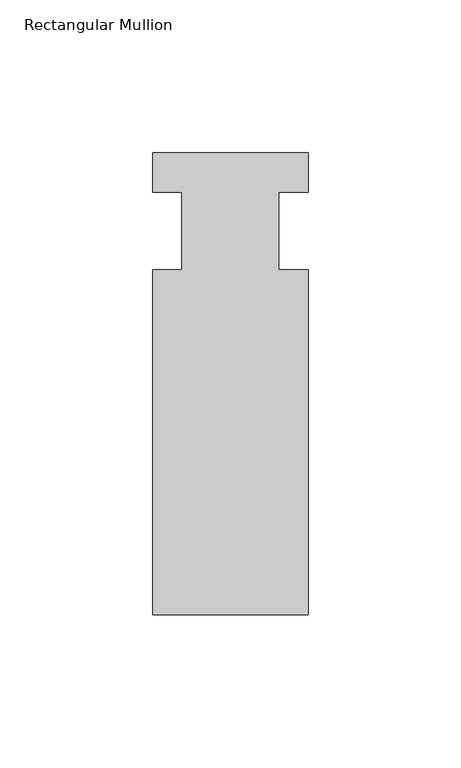
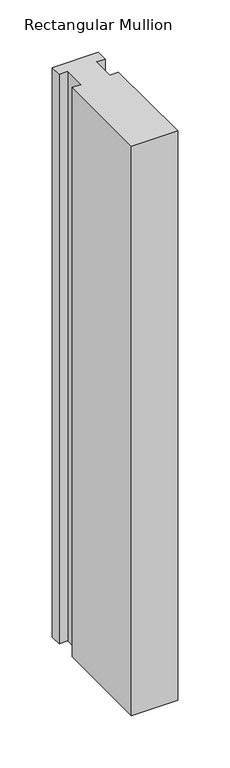
"""IFC4 building model written with IfcOpenShell, lengths in millimetres: member geometry, Rectangular Mullion."""

from ifc_helpers import new_model, si_unit, frame, origin, place, context, project, spatial, polyline, outline, extrude, source, transform, mapped, element, save


def rectangular_mullion_d1b1a90d(model_context):
    return source(origin(), model_context, "Body", "SweptSolid", [
        extrude(outline(polyline([(-25.4, 25.5984375), (25.4, 25.5984375), (25.4, 12.7), (15.875, 12.7), (15.875, -12.7), (25.4, -12.7), (25.4, -125.6109375), (-25.4, -125.6109375), (-25.4, -12.7), (-15.875, -12.7), (-15.875, 12.7), (-25.4, 12.7), (-25.4, 25.5984375)])), frame((0.0, 0.0, -664.216413), z_axis=(0.0, 0.0, 1.0), x_axis=(1.0, 0.0, 0.0)), (0.0, 0.0, 1.0), 664.216413),
    ])


if __name__ == "__main__":
    model = new_model("IFC4")
    model_context = context("Model", 3, world=origin())
    ifc_project = project(units=[si_unit("LENGTHUNIT", "METRE", prefix="MILLI")], contexts=[model_context])
    site = spatial("IfcSite", under=ifc_project)
    building = spatial("IfcBuilding", under=site)
    placement = place(None, origin())
    rectangular_mullion_shape = rectangular_mullion_d1b1a90d(model_context)
    element("IfcMember", 1, ObjectType="Rectangular Mullion", at=placement, inside=building, context=model_context, shape_type="MappedRepresentation", body=[
        mapped(rectangular_mullion_shape, transform((0.0, 0.0, 0.0), x_axis=(1.0, 0.0, 0.0), y_axis=(0.0, 1.0, 0.0), z_axis=(0.0, 0.0, 1.0))),
    ])
    save(model, "model.ifc")
